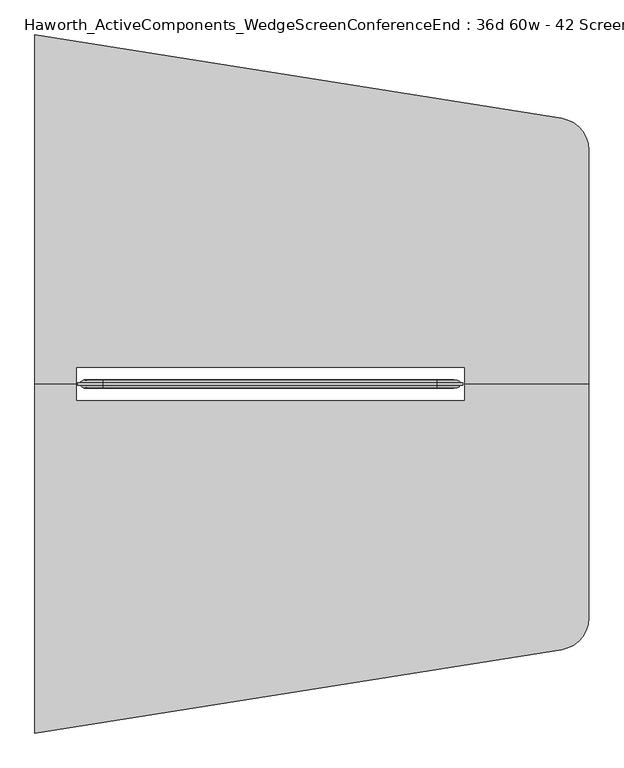
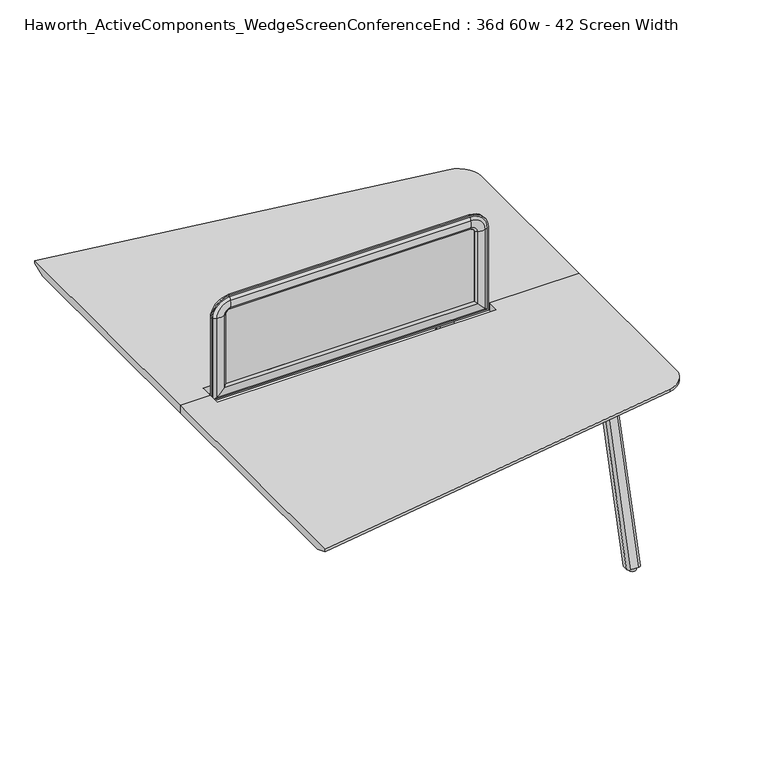
"""IFC4 building model written with IfcOpenShell, lengths in millimetres: furniture geometry, Haworth_ActiveComponents_WedgeScreenConferenceEnd : 36d 60w - 42 Screen Width."""

from ifc_helpers import new_model, si_unit, point, frame, frame_2d, origin, origin_with_axes, place, context, project, spatial, polyline, circle_curve, ellipse_curve, trimmed, segment, composite_curve, outline, extrude, source, transform, mapped, element, save
from ifc_brep_helpers import plane_surface, cylinder_surface, revolved_surface, extruded_surface, advanced_brep


def haworth_activecomponents_wedgescreenconferenceend_36d_60w_42_5413163e(model_context):
    return source(origin(), model_context, "Body", "SolidModel", [
        advanced_brep(
        [(-199.2096882, 292.3715234, 1050.2564604), (-199.2096882, 298.7215234, 1050.2564604), (-199.2096882, 298.7215234, 715.4852418), (-199.2096882, 292.3715234, 715.4852418), (-183.6815318, 285.7253626, 1050.2564604), (-193.3365135, 292.3715234, 1050.2564604), (-193.3365135, 292.3715234, 721.3584165), (-183.6815318, 285.7253626, 731.0133982), (-154.7002339, 286.2587989, 1050.2564604), (-154.7002339, 286.2587989, 759.994696), (-144.907009, 292.3715234, 1050.2564604), (-144.907009, 292.3715234, 769.787921), (-144.907009, 298.7215234, 1050.2564604), (-144.907009, 298.7215234, 769.787921), (-154.7002339, 304.834248, 1050.2564604), (-154.7002339, 304.834248, 759.994696), (-183.6815318, 305.3676843, 1050.2564604), (-183.6815318, 305.3676843, 731.0133982), (-193.3365135, 298.7215234, 1050.2564604), (-193.3365135, 298.7215234, 721.3584165), (859.6096859, 298.7215234, 715.4852418), (859.6096859, 292.3715234, 715.4852418), (853.7365112, 292.3715234, 721.3584165), (844.0815295, 285.7253626, 731.0133982), (815.1002317, 286.2587989, 759.994696), (805.3070068, 292.3715234, 769.787921), (805.3070068, 298.7215234, 769.787921), (815.1002317, 304.834248, 759.994696), (844.0815295, 305.3676843, 731.0133982), (853.7365112, 298.7215234, 721.3584165), (859.6096859, 298.7215234, 1050.2564604), (859.6096859, 292.3715234, 1050.2564604), (853.7365112, 292.3715234, 1050.2564604), (844.0815295, 285.7253626, 1050.2564604), (815.1002317, 286.2587989, 1050.2564604), (805.3070068, 292.3715234, 1050.2564604), (805.3070068, 298.7215234, 1050.2564604), (815.1002317, 304.834248, 1050.2564604), (844.0815295, 305.3676843, 1050.2564604), (853.7365112, 298.7215234, 1050.2564604), (789.4320068, 292.3715234, 1120.4341395), (789.4320068, 298.7215234, 1120.4341395), (789.4320068, 285.7253626, 1104.9059832), (789.4320068, 292.3715234, 1114.5609648), (789.4320068, 286.2587989, 1075.9246853), (789.4320068, 292.3715234, 1066.1314604), (789.4320068, 298.7215234, 1066.1314604), (789.4320068, 304.834248, 1075.9246853), (789.4320068, 305.3676843, 1104.9059832), (789.4320068, 298.7215234, 1114.5609648), (-129.032009, 298.7215234, 1120.4341395), (-129.032009, 292.3715234, 1120.4341395), (-129.032009, 292.3715234, 1114.5609648), (-129.032009, 285.7253626, 1104.9059832), (-129.032009, 286.2587989, 1075.9246853), (-129.032009, 292.3715234, 1066.1314604), (-129.032009, 298.7215234, 1066.1314604), (-129.032009, 304.834248, 1075.9246853), (-129.032009, 305.3676843, 1104.9059832), (-129.032009, 298.7215234, 1114.5609648)],
        [
            (0, 1),
            (1, 2),
            (2, 3),
            (3, 0),
            (4, 5, circle_curve(frame((-179.4864346, 302.1556977, 1050.2564604), z_axis=(0.0, 0.0, -1.0), x_axis=(0.0, -1.0, 0.0)), 16.9574394)),
            (5, 6),
            (6, 7, ellipse_curve(frame((-179.4864346, 302.1556977, 735.2084954), z_axis=(-0.7071067811865452, 0.0, 0.7071067811865498), x_axis=(0.7071067811865498, 0.0, 0.7071067811865452)), 23.9814408, 16.9574394)),
            (7, 4),
            (8, 4, circle_curve(frame((-170.1606786, 338.680547, 1050.2564604), z_axis=(0.0, 0.0, -1.0), x_axis=(0.0, -1.0, 0.0)), 54.6540486)),
            (7, 9, ellipse_curve(frame((-170.1606786, 338.680547, 744.5342514), z_axis=(-0.7071067811865452, 0.0, 0.7071067811865498), x_axis=(0.7071067811865498, 0.0, 0.7071067811865452)), 77.2924967, 54.6540486)),
            (9, 8),
            (10, 8, circle_curve(frame((-160.7950958, 306.924654, 1050.2564604), z_axis=(0.0, 0.0, -1.0), x_axis=(0.0, -1.0, 0.0)), 21.5458792)),
            (9, 11, ellipse_curve(frame((-160.7950958, 306.924654, 753.8998342), z_axis=(-0.7071067811865452, 0.0, 0.7071067811865498), x_axis=(0.7071067811865498, 0.0, 0.7071067811865452)), 30.4704745, 21.5458792)),
            (11, 10),
            (12, 10),
            (11, 13),
            (13, 12),
            (14, 12, circle_curve(frame((-160.7950958, 284.1683929, 1050.2564604), z_axis=(0.0, 0.0, -1.0), x_axis=(0.0, -1.0, 0.0)), 21.5458792)),
            (13, 15, ellipse_curve(frame((-160.7950958, 284.1683929, 753.8998342), z_axis=(-0.7071067811865452, 0.0, 0.7071067811865498), x_axis=(0.7071067811865498, 0.0, 0.7071067811865452)), 30.4704745, 21.5458792)),
            (15, 14),
            (16, 14, circle_curve(frame((-170.1606786, 252.4124999, 1050.2564604), z_axis=(0.0, 0.0, -1.0), x_axis=(0.0, -1.0, 0.0)), 54.6540486)),
            (15, 17, ellipse_curve(frame((-170.1606786, 252.4124999, 744.5342514), z_axis=(-0.7071067811865452, 0.0, 0.7071067811865498), x_axis=(0.7071067811865498, 0.0, 0.7071067811865452)), 77.2924967, 54.6540486)),
            (17, 16),
            (18, 16, circle_curve(frame((-179.4864346, 288.9373492, 1050.2564604), z_axis=(0.0, 0.0, -1.0), x_axis=(0.0, -1.0, 0.0)), 16.9574394)),
            (17, 19, ellipse_curve(frame((-179.4864346, 288.9373492, 735.2084954), z_axis=(-0.7071067811865452, 0.0, 0.7071067811865498), x_axis=(0.7071067811865498, 0.0, 0.7071067811865452)), 23.9814408, 16.9574394)),
            (19, 18),
            (2, 20),
            (20, 21),
            (21, 3),
            (6, 22),
            (22, 23, ellipse_curve(frame((839.8864323, 302.1556977, 735.2084954), z_axis=(-0.7071067811865498, 0.0, -0.7071067811865452), x_axis=(-0.7071067811865452, 0.0, 0.7071067811865498)), 23.9814408, 16.9574394)),
            (23, 7),
            (23, 24, ellipse_curve(frame((830.5606764, 338.680547, 744.5342514), z_axis=(-0.7071067811865498, 0.0, -0.7071067811865452), x_axis=(-0.7071067811865452, 0.0, 0.7071067811865498)), 77.2924967, 54.6540486)),
            (24, 9),
            (24, 25, ellipse_curve(frame((821.1950935, 306.924654, 753.8998342), z_axis=(-0.7071067811865498, 0.0, -0.7071067811865452), x_axis=(-0.7071067811865452, 0.0, 0.7071067811865498)), 30.4704745, 21.5458792)),
            (25, 11),
            (25, 26),
            (26, 13),
            (26, 27, ellipse_curve(frame((821.1950935, 284.1683929, 753.8998342), z_axis=(-0.7071067811865498, 0.0, -0.7071067811865452), x_axis=(-0.7071067811865452, 0.0, 0.7071067811865498)), 30.4704745, 21.5458792)),
            (27, 15),
            (27, 28, ellipse_curve(frame((830.5606764, 252.4124999, 744.5342514), z_axis=(-0.7071067811865498, 0.0, -0.7071067811865452), x_axis=(-0.7071067811865452, 0.0, 0.7071067811865498)), 77.2924967, 54.6540486)),
            (28, 17),
            (28, 29, ellipse_curve(frame((839.8864323, 288.9373492, 735.2084954), z_axis=(-0.7071067811865498, 0.0, -0.7071067811865452), x_axis=(-0.7071067811865452, 0.0, 0.7071067811865498)), 23.9814408, 16.9574394)),
            (29, 19),
            (20, 30),
            (30, 31),
            (31, 21),
            (22, 32),
            (32, 33, circle_curve(frame((839.8864323, 302.1556977, 1050.2564604), z_axis=(0.0, 0.0, -1.0), x_axis=(0.0, -1.0, 0.0)), 16.9574394)),
            (33, 23),
            (33, 34, circle_curve(frame((830.5606764, 338.680547, 1050.2564604), z_axis=(0.0, 0.0, -1.0), x_axis=(0.0, -1.0, 0.0)), 54.6540486)),
            (34, 24),
            (34, 35, circle_curve(frame((821.1950935, 306.924654, 1050.2564604), z_axis=(0.0, 0.0, -1.0), x_axis=(0.0, -1.0, 0.0)), 21.5458792)),
            (35, 25),
            (35, 36),
            (36, 26),
            (36, 37, circle_curve(frame((821.1950935, 284.1683929, 1050.2564604), z_axis=(0.0, 0.0, -1.0), x_axis=(0.0, -1.0, 0.0)), 21.5458792)),
            (37, 27),
            (37, 38, circle_curve(frame((830.5606764, 252.4124999, 1050.2564604), z_axis=(0.0, 0.0, -1.0), x_axis=(0.0, -1.0, 0.0)), 54.6540486)),
            (38, 28),
            (38, 39, circle_curve(frame((839.8864323, 288.9373492, 1050.2564604), z_axis=(0.0, 0.0, -1.0), x_axis=(0.0, -1.0, 0.0)), 16.9574394)),
            (39, 29),
            (40, 31, circle_curve(frame((789.4320068, 292.3715234, 1050.2564604), z_axis=(0.0, 1.0, 0.0), x_axis=(1.0, 0.0, 0.0)), 70.1776791)),
            (30, 41, circle_curve(frame((789.4320068, 298.7215234, 1050.2564604), z_axis=(0.0, -1.0, 0.0), x_axis=(1.0, 0.0, 0.0)), 70.1776791)),
            (41, 40),
            (42, 33, circle_curve(frame((789.4320068, 285.7253626, 1050.2564604), z_axis=(0.0, 1.0, 0.0), x_axis=(1.0, 0.0, 0.0)), 54.6495228)),
            (32, 43, circle_curve(frame((789.4320068, 292.3715234, 1050.2564604), z_axis=(0.0, -1.0, 0.0), x_axis=(1.0, 0.0, 0.0)), 64.3045045)),
            (43, 42, circle_curve(frame((789.4320068, 302.1556977, 1100.7108859), z_axis=(1.0, 0.0, 0.0), x_axis=(0.0, -1.0, 0.0)), 16.9574394)),
            (44, 34, circle_curve(frame((789.4320068, 286.2587989, 1050.2564604), z_axis=(0.0, 1.0, 0.0), x_axis=(1.0, 0.0, 0.0)), 25.6682249)),
            (42, 44, circle_curve(frame((789.4320068, 338.680547, 1091.38513), z_axis=(1.0, 0.0, 0.0), x_axis=(0.0, -1.0, 0.0)), 54.6540486)),
            (45, 35, circle_curve(frame((789.4320068, 292.3715234, 1050.2564604), z_axis=(0.0, 1.0, 0.0), x_axis=(1.0, 0.0, 0.0)), 15.875)),
            (44, 45, circle_curve(frame((789.4320068, 306.924654, 1082.0195471), z_axis=(1.0, 0.0, 0.0), x_axis=(0.0, -1.0, 0.0)), 21.5458792)),
            (46, 36, circle_curve(frame((789.4320068, 298.7215234, 1050.2564604), z_axis=(0.0, 1.0, 0.0), x_axis=(1.0, 0.0, 0.0)), 15.875)),
            (45, 46),
            (47, 37, circle_curve(frame((789.4320068, 304.834248, 1050.2564604), z_axis=(0.0, 1.0, 0.0), x_axis=(1.0, 0.0, 0.0)), 25.6682249)),
            (46, 47, circle_curve(frame((789.4320068, 284.1683929, 1082.0195471), z_axis=(1.0, 0.0, 0.0), x_axis=(0.0, -1.0, 0.0)), 21.5458792)),
            (48, 38, circle_curve(frame((789.4320068, 305.3676843, 1050.2564604), z_axis=(0.0, 1.0, 0.0), x_axis=(1.0, 0.0, 0.0)), 54.6495228)),
            (47, 48, circle_curve(frame((789.4320068, 252.4124999, 1091.38513), z_axis=(1.0, 0.0, 0.0), x_axis=(0.0, -1.0, 0.0)), 54.6540486)),
            (49, 39, circle_curve(frame((789.4320068, 298.7215234, 1050.2564604), z_axis=(0.0, 1.0, 0.0), x_axis=(1.0, 0.0, 0.0)), 64.3045045)),
            (48, 49, circle_curve(frame((789.4320068, 288.9373492, 1100.7108859), z_axis=(1.0, 0.0, 0.0), x_axis=(0.0, -1.0, 0.0)), 16.9574394)),
            (41, 50),
            (50, 51),
            (51, 40),
            (43, 52),
            (52, 53, circle_curve(frame((-129.032009, 302.1556977, 1100.7108859), z_axis=(1.0, 0.0, 0.0), x_axis=(0.0, -1.0, 0.0)), 16.9574394)),
            (53, 42),
            (53, 54, circle_curve(frame((-129.032009, 338.680547, 1091.38513), z_axis=(1.0, 0.0, 0.0), x_axis=(0.0, -1.0, 0.0)), 54.6540486)),
            (54, 44),
            (54, 55, circle_curve(frame((-129.032009, 306.924654, 1082.0195471), z_axis=(1.0, 0.0, 0.0), x_axis=(0.0, -1.0, 0.0)), 21.5458792)),
            (55, 45),
            (55, 56),
            (56, 46),
            (56, 57, circle_curve(frame((-129.032009, 284.1683929, 1082.0195471), z_axis=(1.0, 0.0, 0.0), x_axis=(0.0, -1.0, 0.0)), 21.5458792)),
            (57, 47),
            (57, 58, circle_curve(frame((-129.032009, 252.4124999, 1091.38513), z_axis=(1.0, 0.0, 0.0), x_axis=(0.0, -1.0, 0.0)), 54.6540486)),
            (58, 48),
            (58, 59, circle_curve(frame((-129.032009, 288.9373492, 1100.7108859), z_axis=(1.0, 0.0, 0.0), x_axis=(0.0, -1.0, 0.0)), 16.9574394)),
            (59, 49),
            (0, 51, circle_curve(frame((-129.032009, 292.3715234, 1050.2564604), z_axis=(0.0, 1.0, 0.0), x_axis=(0.0, 0.0, 1.0)), 70.1776791)),
            (50, 1, circle_curve(frame((-129.032009, 298.7215234, 1050.2564604), z_axis=(0.0, -1.0, 0.0), x_axis=(0.0, 0.0, 1.0)), 70.1776791)),
            (5, 52, circle_curve(frame((-129.032009, 292.3715234, 1050.2564604), z_axis=(0.0, 1.0, 0.0), x_axis=(0.0, 0.0, 1.0)), 64.3045045)),
            (4, 53, circle_curve(frame((-129.032009, 285.7253626, 1050.2564604), z_axis=(0.0, 1.0, 0.0), x_axis=(0.0, 0.0, 1.0)), 54.6495228)),
            (8, 54, circle_curve(frame((-129.032009, 286.2587989, 1050.2564604), z_axis=(0.0, 1.0, 0.0), x_axis=(0.0, 0.0, 1.0)), 25.6682249)),
            (10, 55, circle_curve(frame((-129.032009, 292.3715234, 1050.2564604), z_axis=(0.0, 1.0, 0.0), x_axis=(0.0, 0.0, 1.0)), 15.875)),
            (12, 56, circle_curve(frame((-129.032009, 298.7215234, 1050.2564604), z_axis=(0.0, 1.0, 0.0), x_axis=(0.0, 0.0, 1.0)), 15.875)),
            (14, 57, circle_curve(frame((-129.032009, 304.834248, 1050.2564604), z_axis=(0.0, 1.0, 0.0), x_axis=(0.0, 0.0, 1.0)), 25.6682249)),
            (16, 58, circle_curve(frame((-129.032009, 305.3676843, 1050.2564604), z_axis=(0.0, 1.0, 0.0), x_axis=(0.0, 0.0, 1.0)), 54.6495228)),
            (18, 59, circle_curve(frame((-129.032009, 298.7215234, 1050.2564604), z_axis=(0.0, 1.0, 0.0), x_axis=(0.0, 0.0, 1.0)), 64.3045045)),
        ],
        [
            plane_surface(frame((-199.2096882, 298.7215234, 1050.2564604), z_axis=(-1.0, 0.0, 0.0), x_axis=(0.0, 0.0, -1.0))),
            cylinder_surface(frame((-179.4864346, 302.1556977, 1050.2564604), z_axis=(0.0, 0.0, 1.0), x_axis=(0.0, -1.0, 0.0)), 16.9574394),
            cylinder_surface(frame((-170.1606786, 338.680547, 1050.2564604), z_axis=(0.0, 0.0, 1.0), x_axis=(0.0, -1.0, 0.0)), 54.6540486),
            cylinder_surface(frame((-160.7950958, 306.924654, 1050.2564604), z_axis=(0.0, 0.0, 1.0), x_axis=(0.0, -1.0, 0.0)), 21.5458792),
            plane_surface(frame((-144.907009, 292.3715234, 1050.2564604), z_axis=(1.0, 0.0, 0.0), x_axis=(0.0, 0.0, -1.0))),
            cylinder_surface(frame((-160.7950958, 284.1683929, 1050.2564604), z_axis=(0.0, 0.0, 1.0), x_axis=(0.0, -1.0, 0.0)), 21.5458792),
            cylinder_surface(frame((-170.1606786, 252.4124999, 1050.2564604), z_axis=(0.0, 0.0, 1.0), x_axis=(0.0, -1.0, 0.0)), 54.6540486),
            cylinder_surface(frame((-179.4864346, 288.9373492, 1050.2564604), z_axis=(0.0, 0.0, 1.0), x_axis=(0.0, -1.0, 0.0)), 16.9574394),
            plane_surface(frame((-199.2096882, 298.7215234, 715.4852418), z_axis=(0.0, 0.0, -1.0), x_axis=(1.0, 0.0, 0.0))),
            cylinder_surface(frame((-144.907009, 302.1556977, 735.2084954), z_axis=(-1.0, 0.0, 0.0), x_axis=(0.0, -1.0, 0.0)), 16.9574394),
            cylinder_surface(frame((-144.907009, 338.680547, 744.5342514), z_axis=(-1.0, 0.0, 0.0), x_axis=(0.0, -1.0, 0.0)), 54.6540486),
            cylinder_surface(frame((-144.907009, 306.924654, 753.8998342), z_axis=(-1.0, 0.0, 0.0), x_axis=(0.0, -1.0, 0.0)), 21.5458792),
            plane_surface(frame((-144.907009, 292.3715234, 769.787921), z_axis=(0.0, 0.0, 1.0), x_axis=(1.0, 0.0, 0.0))),
            cylinder_surface(frame((-144.907009, 284.1683929, 753.8998342), z_axis=(-1.0, 0.0, 0.0), x_axis=(0.0, -1.0, 0.0)), 21.5458792),
            cylinder_surface(frame((-144.907009, 252.4124999, 744.5342514), z_axis=(-1.0, 0.0, 0.0), x_axis=(0.0, -1.0, 0.0)), 54.6540486),
            cylinder_surface(frame((-144.907009, 288.9373492, 735.2084954), z_axis=(-1.0, 0.0, 0.0), x_axis=(0.0, -1.0, 0.0)), 16.9574394),
            plane_surface(frame((859.6096859, 298.7215234, 715.4852418), z_axis=(1.0, 0.0, 0.0), x_axis=(0.0, 0.0, 1.0))),
            cylinder_surface(frame((839.8864323, 302.1556977, 769.787921), z_axis=(0.0, 0.0, -1.0), x_axis=(0.0, -1.0, 0.0)), 16.9574394),
            cylinder_surface(frame((830.5606764, 338.680547, 769.787921), z_axis=(0.0, 0.0, -1.0), x_axis=(0.0, -1.0, 0.0)), 54.6540486),
            cylinder_surface(frame((821.1950935, 306.924654, 769.787921), z_axis=(0.0, 0.0, -1.0), x_axis=(0.0, -1.0, 0.0)), 21.5458792),
            plane_surface(frame((805.3070068, 292.3715234, 769.787921), z_axis=(-1.0, 0.0, 0.0), x_axis=(0.0, 0.0, 1.0))),
            cylinder_surface(frame((821.1950935, 284.1683929, 769.787921), z_axis=(0.0, 0.0, -1.0), x_axis=(0.0, -1.0, 0.0)), 21.5458792),
            cylinder_surface(frame((830.5606764, 252.4124999, 769.787921), z_axis=(0.0, 0.0, -1.0), x_axis=(0.0, -1.0, 0.0)), 54.6540486),
            cylinder_surface(frame((839.8864323, 288.9373492, 769.787921), z_axis=(0.0, 0.0, -1.0), x_axis=(0.0, -1.0, 0.0)), 16.9574394),
            cylinder_surface(frame((789.4320068, 292.3715234, 1050.2564604), z_axis=(0.0, -1.0, 0.0), x_axis=(1.0, 0.0, 0.0)), 70.1776791),
            revolved_surface(trimmed(ellipse_curve(frame((839.8864323, 302.1556977, 1050.2564604), z_axis=(0.0, 0.0, -1.0), x_axis=(0.0, -1.0, 0.0)), 16.9574394, 16.9574394), [point((853.7365112, 292.3715234, 1050.2564604))], [point((844.0815295, 285.7253626, 1050.2564604))], True, "CARTESIAN"), (789.4320068, 292.3715234, 1050.2564604), (0.0, -1.0, 0.0)),
            revolved_surface(trimmed(ellipse_curve(frame((830.5606764, 338.680547, 1050.2564604), z_axis=(0.0, 0.0, -1.0), x_axis=(0.0, -1.0, 0.0)), 54.6540486, 54.6540486), [point((844.0815295, 285.7253626, 1050.2564604))], [point((815.1002317, 286.2587989, 1050.2564604))], True, "CARTESIAN"), (789.4320068, 292.3715234, 1050.2564604), (0.0, -1.0, 0.0)),
            revolved_surface(trimmed(ellipse_curve(frame((821.1950935, 306.924654, 1050.2564604), z_axis=(0.0, 0.0, -1.0), x_axis=(0.0, -1.0, 0.0)), 21.5458792, 21.5458792), [point((815.1002317, 286.2587989, 1050.2564604))], [point((805.3070068, 292.3715234, 1050.2564604))], True, "CARTESIAN"), (789.4320068, 292.3715234, 1050.2564604), (0.0, -1.0, 0.0)),
            revolved_surface(polyline([(805.3070068, 292.3715234, 1050.2564604), (805.3070068, 298.7215234, 1050.2564604)]), (789.4320068, 292.3715234, 1050.2564604), (0.0, -1.0, 0.0)),
            revolved_surface(trimmed(ellipse_curve(frame((821.1950935, 284.1683929, 1050.2564604), z_axis=(0.0, 0.0, -1.0), x_axis=(0.0, -1.0, 0.0)), 21.5458792, 21.5458792), [point((805.3070068, 298.7215234, 1050.2564604))], [point((815.1002317, 304.834248, 1050.2564604))], True, "CARTESIAN"), (789.4320068, 292.3715234, 1050.2564604), (0.0, -1.0, 0.0)),
            revolved_surface(trimmed(ellipse_curve(frame((830.5606764, 252.4124999, 1050.2564604), z_axis=(0.0, 0.0, -1.0), x_axis=(0.0, -1.0, 0.0)), 54.6540486, 54.6540486), [point((815.1002317, 304.834248, 1050.2564604))], [point((844.0815295, 305.3676843, 1050.2564604))], True, "CARTESIAN"), (789.4320068, 292.3715234, 1050.2564604), (0.0, -1.0, 0.0)),
            revolved_surface(trimmed(ellipse_curve(frame((839.8864323, 288.9373492, 1050.2564604), z_axis=(0.0, 0.0, -1.0), x_axis=(0.0, -1.0, 0.0)), 16.9574394, 16.9574394), [point((844.0815295, 305.3676843, 1050.2564604))], [point((853.7365112, 298.7215234, 1050.2564604))], True, "CARTESIAN"), (789.4320068, 292.3715234, 1050.2564604), (0.0, -1.0, 0.0)),
            plane_surface(frame((789.4320068, 298.7215234, 1120.4341395), z_axis=(0.0, 0.0, 1.0), x_axis=(-1.0, 0.0, 0.0))),
            cylinder_surface(frame((789.4320068, 302.1556977, 1100.7108859), z_axis=(1.0, 0.0, 0.0), x_axis=(0.0, -1.0, 0.0)), 16.9574394),
            cylinder_surface(frame((789.4320068, 338.680547, 1091.38513), z_axis=(1.0, 0.0, 0.0), x_axis=(0.0, -1.0, 0.0)), 54.6540486),
            cylinder_surface(frame((789.4320068, 306.924654, 1082.0195471), z_axis=(1.0, 0.0, 0.0), x_axis=(0.0, -1.0, 0.0)), 21.5458792),
            plane_surface(frame((789.4320068, 292.3715234, 1066.1314604), z_axis=(0.0, 0.0, -1.0), x_axis=(-1.0, 0.0, 0.0))),
            cylinder_surface(frame((789.4320068, 284.1683929, 1082.0195471), z_axis=(1.0, 0.0, 0.0), x_axis=(0.0, -1.0, 0.0)), 21.5458792),
            cylinder_surface(frame((789.4320068, 252.4124999, 1091.38513), z_axis=(1.0, 0.0, 0.0), x_axis=(0.0, -1.0, 0.0)), 54.6540486),
            cylinder_surface(frame((789.4320068, 288.9373492, 1100.7108859), z_axis=(1.0, 0.0, 0.0), x_axis=(0.0, -1.0, 0.0)), 16.9574394),
            cylinder_surface(frame((-129.032009, 292.3715234, 1050.2564604), z_axis=(0.0, -1.0, 0.0), x_axis=(0.0, 0.0, 1.0)), 70.1776791),
            plane_surface(frame((-129.032009, 292.3715234, 1050.2564604), z_axis=(0.0, -1.0, 0.0), x_axis=(0.0, 0.0, 1.0))),
            revolved_surface(trimmed(ellipse_curve(frame((-129.032009, 302.1556977, 1100.7108859), z_axis=(1.0, 0.0, 0.0), x_axis=(0.0, -1.0, 0.0)), 16.9574394, 16.9574394), [point((-129.032009, 292.3715234, 1114.5609648))], [point((-129.032009, 285.7253626, 1104.9059832))], True, "CARTESIAN"), (-129.032009, 292.3715234, 1050.2564604), (0.0, -1.0, 0.0)),
            revolved_surface(trimmed(ellipse_curve(frame((-129.032009, 338.680547, 1091.38513), z_axis=(1.0, 0.0, 0.0), x_axis=(0.0, -1.0, 0.0)), 54.6540486, 54.6540486), [point((-129.032009, 285.7253626, 1104.9059832))], [point((-129.032009, 286.2587989, 1075.9246853))], True, "CARTESIAN"), (-129.032009, 292.3715234, 1050.2564604), (0.0, -1.0, 0.0)),
            revolved_surface(trimmed(ellipse_curve(frame((-129.032009, 306.924654, 1082.0195471), z_axis=(1.0, 0.0, 0.0), x_axis=(0.0, -1.0, 0.0)), 21.5458792, 21.5458792), [point((-129.032009, 286.2587989, 1075.9246853))], [point((-129.032009, 292.3715234, 1066.1314604))], True, "CARTESIAN"), (-129.032009, 292.3715234, 1050.2564604), (0.0, -1.0, 0.0)),
            revolved_surface(polyline([(-129.032009, 292.3715234, 1066.1314604), (-129.032009, 298.7215234, 1066.1314604)]), (-129.032009, 292.3715234, 1050.2564604), (0.0, -1.0, 0.0)),
            revolved_surface(trimmed(ellipse_curve(frame((-129.032009, 284.1683929, 1082.0195471), z_axis=(1.0, 0.0, 0.0), x_axis=(0.0, -1.0, 0.0)), 21.5458792, 21.5458792), [point((-129.032009, 298.7215234, 1066.1314604))], [point((-129.032009, 304.834248, 1075.9246853))], True, "CARTESIAN"), (-129.032009, 292.3715234, 1050.2564604), (0.0, -1.0, 0.0)),
            revolved_surface(trimmed(ellipse_curve(frame((-129.032009, 252.4124999, 1091.38513), z_axis=(1.0, 0.0, 0.0), x_axis=(0.0, -1.0, 0.0)), 54.6540486, 54.6540486), [point((-129.032009, 304.834248, 1075.9246853))], [point((-129.032009, 305.3676843, 1104.9059832))], True, "CARTESIAN"), (-129.032009, 292.3715234, 1050.2564604), (0.0, -1.0, 0.0)),
            revolved_surface(trimmed(ellipse_curve(frame((-129.032009, 288.9373492, 1100.7108859), z_axis=(1.0, 0.0, 0.0), x_axis=(0.0, -1.0, 0.0)), 16.9574394, 16.9574394), [point((-129.032009, 305.3676843, 1104.9059832))], [point((-129.032009, 298.7215234, 1114.5609648))], True, "CARTESIAN"), (-129.032009, 292.3715234, 1050.2564604), (0.0, -1.0, 0.0)),
            plane_surface(frame((-129.032009, 298.7215234, 1050.2564604), z_axis=(0.0, 1.0, 0.0), x_axis=(0.0, 0.0, 1.0))),
        ],
        [
            (0, [[1, 2, 3, 4]]),
            (1, [[5, 6, 7, 8]]),
            (2, [[9, -8, 10, 11]]),
            (3, [[12, -11, 13, 14]]),
            (4, [[15, -14, 16, 17]]),
            (5, [[18, -17, 19, 20]]),
            (6, [[21, -20, 22, 23]]),
            (7, [[24, -23, 25, 26]]),
            (8, [[-3, 27, 28, 29]]),
            (9, [[-7, 30, 31, 32]]),
            (10, [[-10, -32, 33, 34]]),
            (11, [[-13, -34, 35, 36]]),
            (12, [[-16, -36, 37, 38]]),
            (13, [[-19, -38, 39, 40]]),
            (14, [[-22, -40, 41, 42]]),
            (15, [[-25, -42, 43, 44]]),
            (16, [[-28, 45, 46, 47]]),
            (17, [[-31, 48, 49, 50]]),
            (18, [[-33, -50, 51, 52]]),
            (19, [[-35, -52, 53, 54]]),
            (20, [[-37, -54, 55, 56]]),
            (21, [[-39, -56, 57, 58]]),
            (22, [[-41, -58, 59, 60]]),
            (23, [[-43, -60, 61, 62]]),
            (24, [[63, -46, 64, 65]]),
            (25, [[66, -49, 67, 68]]),
            (26, [[69, -51, -66, 70]]),
            (27, [[71, -53, -69, 72]]),
            (28, [[73, -55, -71, 74]]),
            (29, [[75, -57, -73, 76]]),
            (30, [[77, -59, -75, 78]]),
            (31, [[79, -61, -77, 80]]),
            (32, [[-65, 81, 82, 83]]),
            (33, [[-68, 84, 85, 86]]),
            (34, [[-70, -86, 87, 88]]),
            (35, [[-72, -88, 89, 90]]),
            (36, [[-74, -90, 91, 92]]),
            (37, [[-76, -92, 93, 94]]),
            (38, [[-78, -94, 95, 96]]),
            (39, [[-80, -96, 97, 98]]),
            (40, [[99, -82, 100, -1]]),
            (41, [[-63, -83, -99, -4, -29, -47], [101, -84, -67, -48, -30, -6]]),
            (42, [[102, -85, -101, -5]]),
            (43, [[103, -87, -102, -9]]),
            (44, [[104, -89, -103, -12]]),
            (45, [[105, -91, -104, -15]]),
            (46, [[106, -93, -105, -18]]),
            (47, [[107, -95, -106, -21]]),
            (48, [[108, -97, -107, -24]]),
            (49, [[-100, -81, -64, -45, -27, -2], [-79, -98, -108, -26, -44, -62]]),
        ],
    ),
        extrude(outline(composite_curve([segment(polyline([(769.787921, 805.3070068), (1050.2564604, 805.3070068)]), True, "CONTINUOUS"), segment(trimmed(circle_curve(frame_2d((1050.2564604, 789.4320068)), 15.875), [point((1050.2564604, 805.3070068))], [point((1066.1314604, 789.4320068))], False, "CARTESIAN"), True, "CONTINUOUS"), segment(polyline([(1066.1314604, 789.4320068), (1066.1314604, -129.032009)]), True, "CONTINUOUS"), segment(trimmed(circle_curve(frame_2d((1050.2564604, -129.032009)), 15.875), [point((1066.1314604, -129.032009))], [point((1050.2564604, -144.907009))], False, "CARTESIAN"), True, "CONTINUOUS"), segment(polyline([(1050.2564604, -144.907009), (769.787921, -144.907009), (769.787921, 805.3070068)]), True, "CONTINUOUS")], self_intersect=False)), frame((0.0, 292.3715234, 0.0), z_axis=(0.0, 1.0, 0.0), x_axis=(0.0, 0.0, 1.0)), (0.0, 0.0, 1.0), 6.35),
        advanced_brep(
        [(865.1875, 341.5840234, 741.3625), (865.1875, 295.5465234, 741.3625), (1206.5, 295.5465234, 741.3625), (1206.5, 938.6783635, 741.3625), (1131.5070239, 1026.4838569, 741.3625), (-317.5, 1255.9840234, 741.3625), (-317.5, 295.5465234, 741.3625), (-203.2, 295.5465234, 741.3625), (-203.2, 341.5840234, 741.3625), (865.1875, 341.5840234, 711.2), (-203.2, 341.5840234, 711.2), (-203.2, 295.5465234, 711.2), (-317.5, 295.5465234, 711.2), (-317.5, 1204.5507951, 711.2), (1123.5601531, 976.3092892, 711.2), (1155.7, 938.6783635, 711.2), (1155.7, 295.5465234, 711.2), (865.1875, 295.5465234, 711.2), (-317.5, 1255.9840234, 731.8375), (1206.5, 295.5465234, 731.8375), (1206.5, 938.6783635, 731.8375), (1131.5070239, 1026.4838569, 731.8375)],
        [
            (0, 1),
            (1, 2),
            (2, 3),
            (3, 4, circle_curve(frame((1117.6, 938.6783635, 741.3625), z_axis=(0.0, 0.0, 1.0), x_axis=(1.0, 0.0, 0.0)), 88.9)),
            (4, 5),
            (5, 6),
            (6, 7),
            (7, 8),
            (8, 0),
            (9, 10),
            (10, 11),
            (11, 12),
            (12, 13),
            (13, 14),
            (14, 15, circle_curve(frame((1117.6, 938.6783635, 711.2), z_axis=(0.0, 0.0, -1.0), x_axis=(0.15643446504022915, 0.987688340595138, 0.0)), 38.1)),
            (15, 16),
            (16, 17),
            (17, 9),
            (8, 10),
            (9, 0),
            (5, 18),
            (18, 13),
            (12, 6),
            (2, 19),
            (19, 20),
            (20, 3),
            (1, 17),
            (16, 19),
            (4, 21),
            (21, 18),
            (20, 21, circle_curve(frame((1117.6, 938.6783635, 731.8375), z_axis=(0.0, 0.0, 1.0), x_axis=(1.0, 0.0, 0.0)), 88.9)),
            (21, 14),
            (20, 15),
            (7, 11),
        ],
        [
            plane_surface(frame((-203.2, 341.5840234, 741.3625), z_axis=(0.0, 0.0, 1.0), x_axis=(-1.0, 0.0, 0.0))),
            plane_surface(frame((-203.2, 341.5840234, 711.2), z_axis=(0.0, 0.0, -1.0), x_axis=(1.0, 0.0, 0.0))),
            plane_surface(frame((865.1875, 341.5840234, 741.3625), z_axis=(0.0, -1.0, 0.0), x_axis=(0.0, 0.0, -1.0))),
            plane_surface(frame((-317.5, 295.5465234, 741.3625), z_axis=(-1.0, 0.0, 0.0), x_axis=(0.0, 0.0, -1.0))),
            plane_surface(frame((1206.5, 938.6783635, 741.3625), z_axis=(1.0, 0.0, 0.0), x_axis=(0.0, 0.0, -1.0))),
            plane_surface(frame((1206.5, 295.5465234, 741.3625), z_axis=(0.0, -1.0, 0.0), x_axis=(0.0, 0.0, -1.0))),
            plane_surface(frame((865.1875, 295.5465234, 741.3625), z_axis=(-1.0, 0.0, 0.0), x_axis=(0.0, 0.0, -1.0))),
            plane_surface(frame((-317.5, 1255.9840234, 741.3625), z_axis=(0.15643446504024022, 0.9876883405951362, 0.0), x_axis=(0.0, 0.0, -1.0))),
            cylinder_surface(frame((1117.6, 938.6783635, 711.2), z_axis=(0.0, 0.0, 1.0), x_axis=(1.0, 0.0, 0.0)), 88.9),
            plane_surface(frame((-317.5, 1255.9840234, 731.8375), z_axis=(0.05887834199406383, 0.3717432209465531, -0.9264665771220852), x_axis=(0.9876883405951363, -0.15643446504024017, 0.0))),
            revolved_surface(polyline([(1123.5601531, 976.3092892, 711.2), (1131.5070239, 1026.4838569, 731.8375)]), (1117.6, 938.6783635, 741.3625), (0.0, 0.0, 1.0)),
            plane_surface(frame((1206.5, 938.6783635, 731.8375), z_axis=(0.37637704695648966, 0.0, -0.926466577122085), x_axis=(0.0, -1.0, 0.0))),
            plane_surface(frame((-203.2, 341.5840234, 741.3625), z_axis=(1.0, 0.0, 0.0), x_axis=(0.0, 0.0, -1.0))),
            plane_surface(frame((-203.2, 295.5465234, 741.3625), z_axis=(0.0, -1.0, 0.0), x_axis=(0.0, 0.0, -1.0))),
        ],
        [
            (0, [[1, 2, 3, 4, 5, 6, 7, 8, 9]]),
            (1, [[10, 11, 12, 13, 14, 15, 16, 17, 18]]),
            (2, [[19, -10, 20, -9]]),
            (3, [[21, 22, -13, 23, -6]]),
            (4, [[24, 25, 26, -3]]),
            (5, [[27, -17, 28, -24, -2]]),
            (6, [[-20, -18, -27, -1]]),
            (7, [[29, 30, -21, -5]]),
            (8, [[-26, 31, -29, -4]]),
            (9, [[-14, -22, -30, 32]]),
            (10, [[-31, 33, -15, -32]]),
            (11, [[-25, -28, -16, -33]]),
            (12, [[34, -11, -19, -8]]),
            (13, [[-23, -12, -34, -7]]),
        ],
    ),
        advanced_brep(
        [(865.1875, 249.5090234, 741.3625), (-203.2, 249.5090234, 741.3625), (-203.2, 295.5465234, 741.3625), (-317.5, 295.5465234, 741.3625), (-317.5, -664.8909766, 741.3625), (1131.5070239, -435.39081, 741.3625), (1206.5, -347.5853166, 741.3625), (1206.5, 295.5465234, 741.3625), (865.1875, 295.5465234, 741.3625), (865.1875, 249.5090234, 711.2), (865.1875, 295.5465234, 711.2), (1155.7, 295.5465234, 711.2), (1155.7, -347.5853166, 711.2), (1123.5601531, -385.2162423, 711.2), (-317.5, -613.4577482, 711.2), (-317.5, 295.5465234, 711.2), (-203.2, 295.5465234, 711.2), (-203.2, 249.5090234, 711.2), (-317.5, -664.8909766, 731.8375), (1206.5, -347.5853166, 731.8375), (1206.5, 295.5465234, 731.8375), (1131.5070239, -435.39081, 731.8375)],
        [
            (0, 1),
            (1, 2),
            (2, 3),
            (3, 4),
            (4, 5),
            (5, 6, circle_curve(frame((1117.6, -347.5853166, 741.3625), z_axis=(0.0, 0.0, 1.0), x_axis=(1.0, 0.0, 0.0)), 88.9)),
            (6, 7),
            (7, 8),
            (8, 0),
            (9, 10),
            (10, 11),
            (11, 12),
            (12, 13, circle_curve(frame((1117.6, -347.5853166, 711.2), z_axis=(0.0, 0.0, -1.0), x_axis=(0.1564344650402228, -0.987688340595139, 0.0)), 38.1)),
            (13, 14),
            (14, 15),
            (15, 16),
            (16, 17),
            (17, 9),
            (0, 9),
            (17, 1),
            (3, 15),
            (14, 18),
            (18, 4),
            (6, 19),
            (19, 20),
            (20, 7),
            (20, 11),
            (10, 8),
            (18, 21),
            (21, 5),
            (21, 19, circle_curve(frame((1117.6, -347.5853166, 731.8375), z_axis=(0.0, 0.0, 1.0), x_axis=(1.0, 0.0, 0.0)), 88.9)),
            (13, 21),
            (12, 19),
            (16, 2),
        ],
        [
            plane_surface(frame((-203.2, 249.5090234, 741.3625), z_axis=(0.0, 0.0, 1.0), x_axis=(-1.0, 0.0, 0.0))),
            plane_surface(frame((-203.2, 249.5090234, 711.2), z_axis=(0.0, 0.0, -1.0), x_axis=(1.0, 0.0, 0.0))),
            plane_surface(frame((865.1875, 249.5090234, 741.3625), z_axis=(0.0, 1.0, 0.0), x_axis=(0.0, 0.0, -1.0))),
            plane_surface(frame((-317.5, 295.5465234, 741.3625), z_axis=(-1.0, 0.0, 0.0), x_axis=(0.0, 0.0, -1.0))),
            plane_surface(frame((1206.5, -347.5853166, 741.3625), z_axis=(1.0, 0.0, 0.0), x_axis=(0.0, 0.0, -1.0))),
            plane_surface(frame((1206.5, 295.5465234, 741.3625), z_axis=(0.0, 1.0, 0.0), x_axis=(0.0, 0.0, -1.0))),
            plane_surface(frame((865.1875, 295.5465234, 741.3625), z_axis=(-1.0, 0.0, 0.0), x_axis=(0.0, 0.0, -1.0))),
            plane_surface(frame((-317.5, -664.8909766, 741.3625), z_axis=(0.15643446504023387, -0.9876883405951372, 0.0), x_axis=(0.0, 0.0, -1.0))),
            cylinder_surface(frame((1117.6, -347.5853166, 711.2), z_axis=(0.0, 0.0, 1.0), x_axis=(1.0, 0.0, 0.0)), 88.9),
            plane_surface(frame((-317.5, -664.8909766, 731.8375), z_axis=(0.05887834199406144, -0.3717432209465535, -0.9264665771220851), x_axis=(0.9876883405951373, 0.1564344650402338, 0.0))),
            revolved_surface(polyline([(1123.5601531, -385.2162423, 711.2), (1131.5070239, -435.39081, 731.8375)]), (1117.6, -347.5853166, 741.3625), (0.0, 0.0, 1.0)),
            plane_surface(frame((1206.5, -347.5853166, 731.8375), z_axis=(0.37637704695648966, 0.0, -0.926466577122085), x_axis=(0.0, 1.0, 0.0))),
            plane_surface(frame((-203.2, 249.5090234, 741.3625), z_axis=(1.0, 0.0, 0.0), x_axis=(0.0, 0.0, -1.0))),
            plane_surface(frame((-203.2, 295.5465234, 741.3625), z_axis=(0.0, 1.0, 0.0), x_axis=(0.0, 0.0, -1.0))),
        ],
        [
            (0, [[1, 2, 3, 4, 5, 6, 7, 8, 9]]),
            (1, [[10, 11, 12, 13, 14, 15, 16, 17, 18]]),
            (2, [[-1, 19, -18, 20]]),
            (3, [[-4, 21, -15, 22, 23]]),
            (4, [[-7, 24, 25, 26]]),
            (5, [[-8, -26, 27, -11, 28]]),
            (6, [[-9, -28, -10, -19]]),
            (7, [[-5, -23, 29, 30]]),
            (8, [[-6, -30, 31, -24]]),
            (9, [[32, -29, -22, -14]]),
            (10, [[-32, -13, 33, -31]]),
            (11, [[-33, -12, -27, -25]]),
            (12, [[-2, -20, -17, 34]]),
            (13, [[-3, -34, -16, -21]]),
        ],
    ),
        extrude(outline(composite_curve([segment(polyline([(1056.894, 681.2660641), (948.9440004, 681.2660641)]), True, "CONTINUOUS"), segment(trimmed(circle_curve(frame_2d((948.9440004, 690.7910641)), 9.525), [point((948.9440004, 681.2660641))], [point((939.4190004, 690.7910641))], False, "CARTESIAN"), True, "CONTINUOUS"), segment(polyline([(939.4190004, 690.7910641), (939.4190004, 773.4644335)]), True, "CONTINUOUS"), segment(trimmed(circle_curve(frame_2d((948.9440004, 773.4644335)), 9.525), [point((939.4190004, 773.4644335))], [point((948.9440004, 782.9894335))], False, "CARTESIAN"), True, "CONTINUOUS"), segment(polyline([(948.9440004, 782.9894335), (1056.894, 782.9894335)]), True, "CONTINUOUS"), segment(trimmed(circle_curve(frame_2d((1056.894, 773.4644335)), 9.525), [point((1056.894, 782.9894335))], [point((1066.419, 773.4644335))], False, "CARTESIAN"), True, "CONTINUOUS"), segment(polyline([(1066.419, 773.4644335), (1066.419, 690.7910641)]), True, "CONTINUOUS"), segment(trimmed(circle_curve(frame_2d((1056.894, 690.7910641)), 9.525), [point((1066.419, 690.7910641))], [point((1056.894, 681.2660641))], False, "CARTESIAN"), True, "CONTINUOUS")], self_intersect=False)), frame((0.0, 0.0, 705.2055742), z_axis=(0.0, 0.0, 1.0), x_axis=(1.0, 0.0, 0.0)), (0.0, 0.0, 1.0), 5.9944258),
        advanced_brep(
        [(1050.925, 775.7652734, 705.2055742), (1019.175, 775.7652734, 705.2055742), (1009.65, 766.2402734, 705.2055742), (1009.65, 745.6027734, 705.2055742), (1060.45, 745.6027734, 705.2055742), (1060.45, 766.2402734, 705.2055742), (1050.925, 962.2535641, 12.7), (1060.45, 952.7285641, 12.7), (1060.45, 932.0910641, 12.7), (1009.65, 932.0910641, 12.7), (1009.65, 952.7285641, 12.7), (1019.175, 962.2535641, 12.7)],
        [
            (0, 1),
            (1, 2, circle_curve(frame((1019.175, 766.2402734, 705.2055742), z_axis=(0.0, 0.0, 1.0), x_axis=(1.0, 0.0, 0.0)), 9.525)),
            (2, 3),
            (3, 4),
            (4, 5),
            (5, 0, circle_curve(frame((1050.925, 766.2402734, 705.2055742), z_axis=(0.0, 0.0, 1.0), x_axis=(1.0, 0.0, 0.0)), 9.525)),
            (6, 7, circle_curve(frame((1050.925, 952.7285641, 12.7), z_axis=(0.0, 0.0, -1.0), x_axis=(1.0, 0.0, 0.0)), 9.525)),
            (7, 8),
            (8, 9),
            (9, 10),
            (10, 11, circle_curve(frame((1019.175, 952.7285641, 12.7), z_axis=(0.0, 0.0, -1.0), x_axis=(1.0, 0.0, 0.0)), 9.525)),
            (11, 6),
            (6, 0),
            (5, 7),
            (4, 8),
            (3, 9),
            (2, 10),
            (1, 11),
        ],
        [
            plane_surface(frame((1035.05, 762.5361068, 705.2055742), z_axis=(0.0, 0.0, 1.0), x_axis=(-1.0, 0.0, 0.0))),
            plane_surface(frame((1035.05, 949.0243975, 12.7), z_axis=(0.0, 0.0, -1.0), x_axis=(-1.0, 0.0, 0.0))),
            extruded_surface(trimmed(circle_curve(frame((1050.925, 766.2402734, 705.2055742), z_axis=(0.0, 0.0, -1.0), x_axis=(1.0, 0.0, 0.0)), 9.525), [point((1050.925, 775.7652734, 705.2055742))], [point((1060.45, 766.2402734, 705.2055742))], True, "CARTESIAN"), (0.0, 186.4882907, -692.5055742), 717.1763052878136),
            plane_surface(frame((1060.45, 942.4098141, 12.7), z_axis=(1.0, 0.0, 0.0), x_axis=(0.0, -1.0, 0.0))),
            plane_surface(frame((1035.05, 932.0910641, 12.7), z_axis=(0.0, -0.9656001865922422, -0.260031305140414), x_axis=(-1.0, 0.0, 0.0))),
            plane_surface(frame((1009.65, 942.4098141, 12.7), z_axis=(-1.0, 0.0, 0.0), x_axis=(0.0, 1.0, 0.0))),
            extruded_surface(trimmed(circle_curve(frame((1019.175, 766.2402734, 705.2055742), z_axis=(0.0, 0.0, -1.0), x_axis=(1.0, 0.0, 0.0)), 9.525), [point((1009.65, 766.2402734, 705.2055742))], [point((1019.175, 775.7652734, 705.2055742))], True, "CARTESIAN"), (0.0, 186.4882907, -692.5055742), 717.1763052878136),
            plane_surface(frame((1035.05, 962.2535641, 12.7), z_axis=(0.0, 0.9656001865922422, 0.260031305140414), x_axis=(1.0, 0.0, 0.0))),
        ],
        [
            (0, [[1, 2, 3, 4, 5, 6]]),
            (1, [[7, 8, 9, 10, 11, 12]]),
            (2, [[13, -6, 14, -7]]),
            (3, [[-14, -5, 15, -8]]),
            (4, [[-15, -4, 16, -9]]),
            (5, [[-16, -3, 17, -10]]),
            (6, [[-17, -2, 18, -11]]),
            (7, [[-18, -1, -13, -12]]),
        ],
    ),
        extrude(outline(composite_curve([segment(trimmed(circle_curve(frame_2d((1035.05, 946.3785641)), 12.7), [point((1022.35, 946.3785641))], [point((1047.75, 946.3785641))], False, "CARTESIAN"), True, "CONTINUOUS"), segment(trimmed(circle_curve(frame_2d((1035.05, 946.3785641)), 12.7), [point((1047.75, 946.3785641))], [point((1022.35, 946.3785641))], False, "CARTESIAN"), True, "CONTINUOUS")], self_intersect=False)), origin_with_axes(), (0.0, 0.0, 1.0), 12.7),
        extrude(outline(composite_curve([segment(trimmed(circle_curve(frame_2d((1056.894, -99.6980172)), 9.525), [point((1056.894, -90.1730172))], [point((1066.419, -99.6980172))], False, "CARTESIAN"), True, "CONTINUOUS"), segment(polyline([(1066.419, -99.6980172), (1066.419, -182.3713866)]), True, "CONTINUOUS"), segment(trimmed(circle_curve(frame_2d((1056.894, -182.3713866)), 9.525), [point((1066.419, -182.3713866))], [point((1056.894, -191.8963866))], False, "CARTESIAN"), True, "CONTINUOUS"), segment(polyline([(1056.894, -191.8963866), (948.9440004, -191.8963866)]), True, "CONTINUOUS"), segment(trimmed(circle_curve(frame_2d((948.9440004, -182.3713866)), 9.525), [point((948.9440004, -191.8963866))], [point((939.4190004, -182.3713866))], False, "CARTESIAN"), True, "CONTINUOUS"), segment(polyline([(939.4190004, -182.3713866), (939.4190004, -99.6980172)]), True, "CONTINUOUS"), segment(trimmed(circle_curve(frame_2d((948.9440004, -99.6980172)), 9.525), [point((939.4190004, -99.6980172))], [point((948.9440004, -90.1730172))], False, "CARTESIAN"), True, "CONTINUOUS"), segment(polyline([(948.9440004, -90.1730172), (1056.894, -90.1730172)]), True, "CONTINUOUS")], self_intersect=False)), frame((0.0, 0.0, 705.2055742), z_axis=(0.0, 0.0, 1.0), x_axis=(1.0, 0.0, 0.0)), (0.0, 0.0, 1.0), 5.9944258),
        advanced_brep(
        [(1050.925, -184.6722266, 705.2055742), (1060.45, -175.1472266, 705.2055742), (1060.45, -154.5097266, 705.2055742), (1009.65, -154.5097266, 705.2055742), (1009.65, -175.1472266, 705.2055742), (1019.175, -184.6722266, 705.2055742), (1050.925, -371.1605172, 12.7), (1019.175, -371.1605172, 12.7), (1009.65, -361.6355172, 12.7), (1009.65, -340.9980172, 12.7), (1060.45, -340.9980172, 12.7), (1060.45, -361.6355172, 12.7)],
        [
            (0, 1, circle_curve(frame((1050.925, -175.1472266, 705.2055742), z_axis=(0.0, 0.0, 1.0), x_axis=(1.0, 0.0, 0.0)), 9.525)),
            (1, 2),
            (2, 3),
            (3, 4),
            (4, 5, circle_curve(frame((1019.175, -175.1472266, 705.2055742), z_axis=(0.0, 0.0, 1.0), x_axis=(1.0, 0.0, 0.0)), 9.525)),
            (5, 0),
            (6, 7),
            (7, 8, circle_curve(frame((1019.175, -361.6355172, 12.7), z_axis=(0.0, 0.0, -1.0), x_axis=(1.0, 0.0, 0.0)), 9.525)),
            (8, 9),
            (9, 10),
            (10, 11),
            (11, 6, circle_curve(frame((1050.925, -361.6355172, 12.7), z_axis=(0.0, 0.0, -1.0), x_axis=(1.0, 0.0, 0.0)), 9.525)),
            (11, 1),
            (0, 6),
            (10, 2),
            (9, 3),
            (8, 4),
            (7, 5),
        ],
        [
            plane_surface(frame((1035.05, -171.4430599, 705.2055742), z_axis=(0.0, 0.0, 1.0), x_axis=(-1.0, 0.0, 0.0))),
            plane_surface(frame((1035.05, -357.9313506, 12.7), z_axis=(0.0, 0.0, -1.0), x_axis=(-1.0, 0.0, 0.0))),
            extruded_surface(trimmed(circle_curve(frame((1050.925, -361.6355172, 12.7), z_axis=(0.0, 0.0, 1.0), x_axis=(1.0, 0.0, 0.0)), 9.525), [point((1050.925, -371.1605172, 12.7))], [point((1060.45, -361.6355172, 12.7))], True, "CARTESIAN"), (0.0, 186.48829059999997, 692.5055742), 717.1763052618105),
            plane_surface(frame((1060.45, -351.3167672, 12.7), z_axis=(1.0, 0.0, 0.0), x_axis=(0.0, 1.0, 0.0))),
            plane_surface(frame((1035.05, -340.9980172, 12.7), z_axis=(0.0, 0.9656001865922422, -0.260031305140414), x_axis=(-1.0, 0.0, 0.0))),
            plane_surface(frame((1009.65, -351.3167672, 12.7), z_axis=(-1.0, 0.0, 0.0), x_axis=(0.0, -1.0, 0.0))),
            extruded_surface(trimmed(circle_curve(frame((1019.175, -361.6355172, 12.7), z_axis=(0.0, 0.0, 1.0), x_axis=(1.0, 0.0, 0.0)), 9.525), [point((1009.65, -361.6355172, 12.7))], [point((1019.175, -371.1605172, 12.7))], True, "CARTESIAN"), (0.0, 186.48829059999997, 692.5055742), 717.1763052618105),
            plane_surface(frame((1035.05, -371.1605172, 12.7), z_axis=(0.0, -0.9656001865922422, 0.260031305140414), x_axis=(1.0, 0.0, 0.0))),
        ],
        [
            (0, [[1, 2, 3, 4, 5, 6]]),
            (1, [[7, 8, 9, 10, 11, 12]]),
            (2, [[-12, 13, -1, 14]]),
            (3, [[-11, 15, -2, -13]]),
            (4, [[-10, 16, -3, -15]]),
            (5, [[-9, 17, -4, -16]]),
            (6, [[-8, 18, -5, -17]]),
            (7, [[-7, -14, -6, -18]]),
        ],
    ),
        extrude(outline(composite_curve([segment(trimmed(circle_curve(frame_2d((1035.05, -355.2855172)), 12.7), [point((1022.35, -355.2855172))], [point((1047.75, -355.2855172))], False, "CARTESIAN"), True, "CONTINUOUS"), segment(trimmed(circle_curve(frame_2d((1035.05, -355.2855172)), 12.7), [point((1047.75, -355.2855172))], [point((1022.35, -355.2855172))], False, "CARTESIAN"), True, "CONTINUOUS")], self_intersect=False)), origin_with_axes(), (0.0, 0.0, 1.0), 12.7),
    ])


if __name__ == "__main__":
    model = new_model("IFC4")
    model_context = context("Model", 3, world=origin())
    ifc_project = project(units=[si_unit("LENGTHUNIT", "METRE", prefix="MILLI")], contexts=[model_context])
    site = spatial("IfcSite", under=ifc_project)
    building = spatial("IfcBuilding", under=site)
    placement = place(None, origin())
    haworth_activecomponents_wedgescreenconferenceend_36d_60w_42_shape = haworth_activecomponents_wedgescreenconferenceend_36d_60w_42_5413163e(model_context)
    element("IfcFurniture", 1, ObjectType="Haworth_ActiveComponents_WedgeScreenConferenceEnd : 36d 60w - 42 Screen Width", at=placement, inside=building, context=model_context, shape_type="MappedRepresentation", body=[
        mapped(haworth_activecomponents_wedgescreenconferenceend_36d_60w_42_shape, transform((0.0, 0.0, 0.0), x_axis=(1.0, 0.0, 0.0), y_axis=(0.0, 1.0, 0.0), z_axis=(0.0, 0.0, 1.0))),
    ])
    save(model, "model.ifc")
